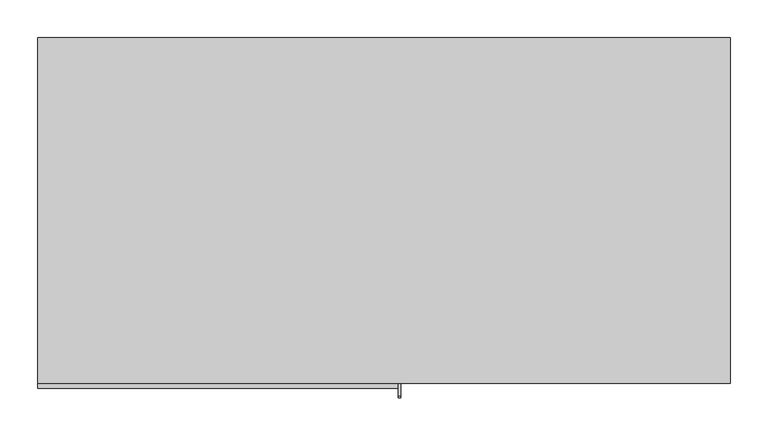
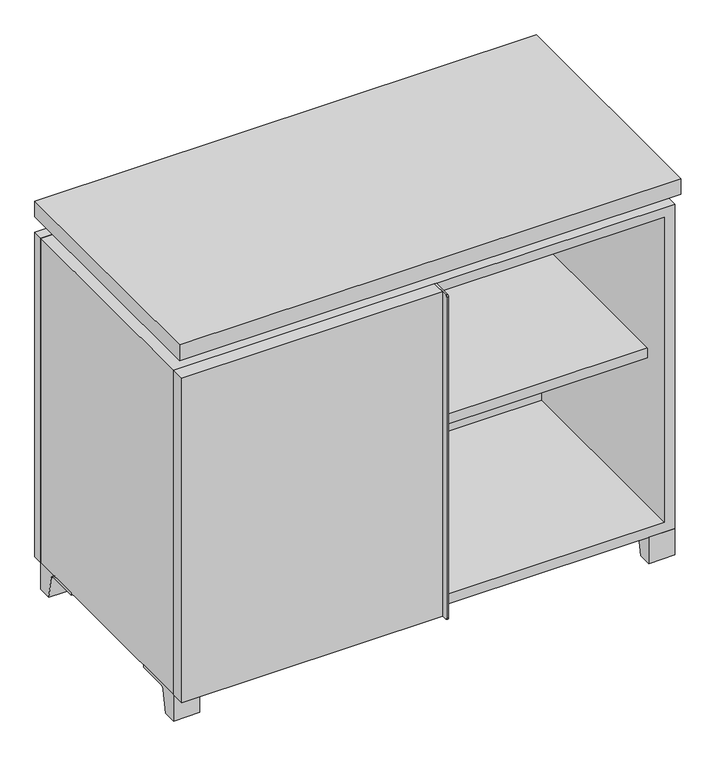
"""IFC4 building model written with IfcOpenShell, lengths in millimetres: furniture geometry."""

from ifc_helpers import new_model, si_unit, point, frame, frame_2d, origin, place, context, project, spatial, polyline, circle_curve, trimmed, segment, composite_curve, outline, extrude, faceted_brep, source, transform, mapped, element, save


def furniture_f7af2161(model_context):
    return source(origin(), model_context, "Body", "SolidModel", [
        extrude(outline(polyline([(9.5319453, 241.3), (438.1569453, 241.3), (438.1569453, -92.075), (9.5319453, -92.075), (9.5319453, 241.3)])), frame((0.0, 0.0, 354.0125), z_axis=(0.0, 0.0, 1.0), x_axis=(1.0, 0.0, 0.0)), (0.0, 0.0, 1.0), 19.05),
        extrude(outline(polyline([(-9.5041641, 241.3), (-9.5041641, -92.075), (-438.1291641, -92.075), (-438.1291641, 241.3), (-9.5041641, 241.3)])), frame((0.0, 0.0, 354.0125), z_axis=(0.0, 0.0, 1.0), x_axis=(1.0, 0.0, 0.0)), (0.0, 0.0, 1.0), 19.05),
        extrude(outline(polyline([(457.2138906, 292.1), (457.2138906, -165.1), (-457.1861094, -165.1), (-457.1861094, 292.1), (457.2138906, 292.1)])), frame((0.0, 0.0, 706.4375), z_axis=(0.0, 0.0, 1.0), x_axis=(1.0, 0.0, 0.0)), (0.0, 0.0, 1.0), 30.1625),
        extrude(outline(composite_curve([segment(polyline([(-146.05, 676.275), (-146.05, 50.8), (-180.975, 50.8)]), True, "CONTINUOUS"), segment(trimmed(circle_curve(frame_2d((-180.975, 53.975)), 3.175), [point((-180.975, 50.8))], [point((-184.15, 53.975))], False, "CARTESIAN"), True, "CONTINUOUS"), segment(polyline([(-184.15, 53.975), (-184.15, 673.1)]), True, "CONTINUOUS"), segment(trimmed(circle_curve(frame_2d((-180.975, 673.1)), 3.175), [point((-184.15, 673.1))], [point((-180.975, 676.275))], False, "CARTESIAN"), True, "CONTINUOUS"), segment(polyline([(-180.975, 676.275), (-146.05, 676.275)]), True, "CONTINUOUS")], self_intersect=False)), frame((19.0638906, 0.0, 0.0), z_axis=(1.0, 0.0, 0.0), x_axis=(0.0, 1.0, 0.0)), (0.0, 0.0, 1.0), 3.175),
        extrude(outline(polyline([(-457.1861094, -146.05), (19.0638906, -146.05), (19.0638906, -171.45), (-457.1861094, -171.45), (-457.1861094, -146.05)])), frame((0.0, 0.0, 50.8), z_axis=(0.0, 0.0, 1.0), x_axis=(1.0, 0.0, 0.0)), (0.0, 0.0, 1.0), 625.475),
        extrude(outline(composite_curve([segment(polyline([(-120.6500136, 0.0), (-146.05, 0.0), (-146.05, 50.8), (-50.8, 50.8), (-50.8, 46.0213321), (-107.6005345, 46.0213321)]), True, "CONTINUOUS"), segment(trimmed(circle_curve(frame_2d((-107.6005345, 39.6713321)), 6.35), [point((-107.6005345, 46.0213321))], [point((-113.8641359, 40.7152656))], True, "CARTESIAN"), True, "CONTINUOUS"), segment(polyline([(-113.8641359, 40.7152656), (-120.6500136, 0.0)]), True, "CONTINUOUS")], self_intersect=False)), frame((409.5888906, 0.0, 0.0), z_axis=(1.0, 0.0, 0.0), x_axis=(0.0, 1.0, 0.0)), (0.0, 0.0, 1.0), 47.625),
        extrude(outline(composite_curve([segment(polyline([(247.6500136, 0.0), (240.8641359, 40.7152656)]), True, "CONTINUOUS"), segment(trimmed(circle_curve(frame_2d((234.6005345, 39.6713321)), 6.35), [point((240.8641359, 40.7152656))], [point((234.6005345, 46.0213321))], True, "CARTESIAN"), True, "CONTINUOUS"), segment(polyline([(234.6005345, 46.0213321), (177.8, 46.0213321), (177.8, 50.8), (273.05, 50.8), (273.05, 0.0), (247.6500136, 0.0)]), True, "CONTINUOUS")], self_intersect=False)), frame((409.5888906, 0.0, 0.0), z_axis=(1.0, 0.0, 0.0), x_axis=(0.0, 1.0, 0.0)), (0.0, 0.0, 1.0), 47.625),
        extrude(outline(composite_curve([segment(polyline([(-120.6500136, 0.0), (-146.05, 0.0), (-146.05, 50.8), (-50.8, 50.8), (-50.8, 46.0213321), (-107.6005345, 46.0213321)]), True, "CONTINUOUS"), segment(trimmed(circle_curve(frame_2d((-107.6005345, 39.6713321)), 6.35), [point((-107.6005345, 46.0213321))], [point((-113.8641359, 40.7152656))], True, "CARTESIAN"), True, "CONTINUOUS"), segment(polyline([(-113.8641359, 40.7152656), (-120.6500136, 0.0)]), True, "CONTINUOUS")], self_intersect=False)), frame((-457.1861094, 0.0, 0.0), z_axis=(1.0, 0.0, 0.0), x_axis=(0.0, 1.0, 0.0)), (0.0, 0.0, 1.0), 47.625),
        extrude(outline(composite_curve([segment(polyline([(247.6500136, 0.0), (240.8641359, 40.7152656)]), True, "CONTINUOUS"), segment(trimmed(circle_curve(frame_2d((234.6005345, 39.6713321)), 6.35), [point((240.8641359, 40.7152656))], [point((234.6005345, 46.0213321))], True, "CARTESIAN"), True, "CONTINUOUS"), segment(polyline([(234.6005345, 46.0213321), (177.8, 46.0213321), (177.8, 50.8), (273.05, 50.8), (273.05, 0.0), (247.6500136, 0.0)]), True, "CONTINUOUS")], self_intersect=False)), frame((-457.1861094, 0.0, 0.0), z_axis=(1.0, 0.0, 0.0), x_axis=(0.0, 1.0, 0.0)), (0.0, 0.0, 1.0), 47.625),
        faceted_brep([(7.9513906, -120.65, 706.4375), (7.9513906, -120.65, 676.275), (7.9513906, 53.975, 676.275), (7.9513906, 53.975, 706.4375), (7.9513906, 247.65, 676.275), (7.9513906, 247.65, 706.4375), (7.9513906, 73.025, 706.4375), (7.9513906, 73.025, 676.275), (-7.9236094, 247.65, 706.4375), (-7.9236094, 247.65, 676.275), (-7.9236094, 73.025, 676.275), (-7.9236094, 73.025, 706.4375), (-7.9236094, -120.65, 676.275), (-7.9236094, -120.65, 706.4375), (-7.9236094, 53.975, 706.4375), (-7.9236094, 53.975, 676.275), (-415.8833281, 73.025, 706.4375), (-415.9041641, 247.65, 706.4375), (-431.7791641, 247.65, 706.4375), (-431.7791641, -120.65, 706.4375), (-415.9041641, -120.65, 706.4375), (-415.9041641, 53.975, 706.4375), (415.9111094, 53.975, 706.4375), (415.9111094, -120.65, 706.4375), (431.7861094, -120.65, 706.4375), (431.7861094, 247.65, 706.4375), (415.9111094, 247.65, 706.4375), (415.9111094, 73.025, 706.4375), (-415.8833281, 53.975, 676.275), (-415.9041641, -120.65, 676.275), (-431.7791641, -120.65, 676.275), (-431.7791641, 247.65, 676.275), (-415.9041641, 247.65, 676.275), (-415.9041641, 73.025, 676.275), (415.9111094, 73.025, 676.275), (415.9111094, 247.65, 676.275), (431.7861094, 247.65, 676.275), (431.7861094, -120.65, 676.275), (415.9111094, -120.65, 676.275), (415.9111094, 53.975, 676.275)], [[[0, 1, 2, 3]], [[4, 5, 6, 7]], [[8, 9, 10, 11]], [[12, 13, 14, 15]], [[5, 8, 11, 16, 17, 18, 19, 20, 21, 14, 13, 0, 3, 22, 23, 24, 25, 26, 27, 6]], [[1, 12, 15, 28, 29, 30, 31, 32, 33, 10, 9, 4, 7, 34, 35, 36, 37, 38, 39, 2]], [[5, 4, 9, 8]], [[1, 0, 13, 12]], [[6, 27, 34, 7]], [[22, 3, 2, 39]], [[20, 29, 28, 21]], [[32, 17, 16, 33]], [[18, 31, 30, 19]], [[29, 20, 19, 30]], [[17, 32, 31, 18]], [[26, 35, 34, 27]], [[38, 23, 22, 39]], [[25, 24, 37, 36]], [[23, 38, 37, 24]], [[35, 26, 25, 36]], [[16, 11, 10, 33]], [[14, 21, 28, 15]]]),
        extrude(outline(polyline([(9.5388906, 241.3), (9.5388906, -95.25), (-9.5111094, -95.25), (-9.5111094, 241.3), (9.5388906, 241.3)])), frame((0.0, 0.0, 69.85), z_axis=(0.0, 0.0, 1.0), x_axis=(1.0, 0.0, 0.0)), (0.0, 0.0, 1.0), 587.375),
        extrude(outline(polyline([(15.8888906, -88.9), (15.8888906, -146.05), (-9.5111094, -146.05), (-9.5111094, -120.65), (3.1888906, -120.65), (3.1888906, -88.9), (15.8888906, -88.9)])), frame((0.0, 0.0, 69.85), z_axis=(0.0, 0.0, 1.0), x_axis=(1.0, 0.0, 0.0)), (0.0, 0.0, 1.0), 587.375),
        extrude(outline(polyline([(457.2138906, 273.05), (-457.1861094, 273.05), (-457.1861094, 292.1), (457.2138906, 292.1), (457.2138906, 273.05)])), frame((0.0, 0.0, 50.8), z_axis=(0.0, 0.0, 1.0), x_axis=(1.0, 0.0, 0.0)), (0.0, 0.0, 1.0), 625.475),
        extrude(outline(polyline([(50.8, -457.1861094), (50.8, 457.2), (676.275, 457.2), (676.275, -457.1861094), (50.8, -457.1861094)]), holes=[polyline([(69.85, -438.1361094), (657.225, -438.1361094), (657.225, 438.1361094), (69.85, 438.1361094), (69.85, -438.1361094)])]), frame((0.0, -146.05, 0.0), z_axis=(0.0, 1.0, 0.0), x_axis=(0.0, 0.0, 1.0)), (0.0, 0.0, 1.0), 419.1),
        extrude(outline(polyline([(-438.1291641, 241.3), (-438.1291641, 247.65), (438.1569453, 247.65), (438.1569453, 241.3), (-438.1291641, 241.3)])), frame((0.0, 0.0, 69.85), z_axis=(0.0, 0.0, 1.0), x_axis=(1.0, 0.0, 0.0)), (0.0, 0.0, 1.0), 587.375),
    ])


if __name__ == "__main__":
    model = new_model("IFC4")
    model_context = context("Model", 3, world=origin())
    ifc_project = project(units=[si_unit("LENGTHUNIT", "METRE", prefix="MILLI")], contexts=[model_context])
    site = spatial("IfcSite", under=ifc_project)
    building = spatial("IfcBuilding", under=site)
    placement = place(None, origin())
    furniture_shape = furniture_f7af2161(model_context)
    element("IfcFurniture", 1, at=placement, inside=building, context=model_context, shape_type="MappedRepresentation", body=[
        mapped(furniture_shape, transform((0.0, 0.0, 0.0), x_axis=(1.0, 0.0, 0.0), y_axis=(0.0, 1.0, 0.0), z_axis=(0.0, 0.0, 1.0))),
    ])
    save(model, "model.ifc")
